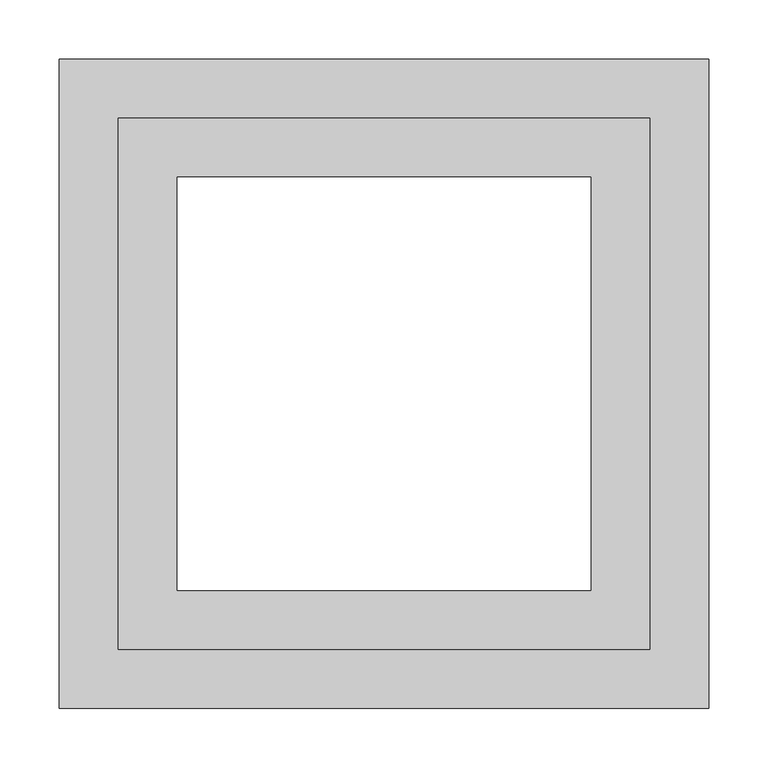
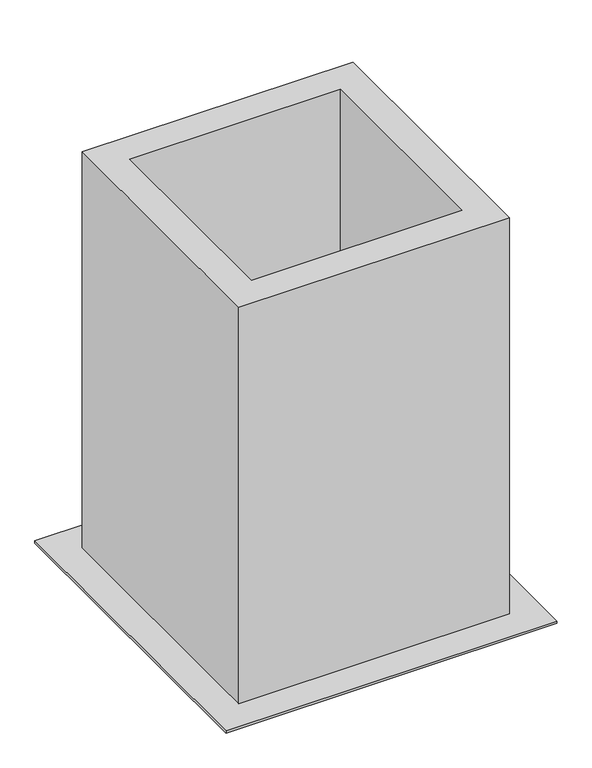
"""IFC4 building model written with IfcOpenShell, lengths in millimetres: proxy geometry."""

from ifc_helpers import new_model, si_unit, frame, origin, origin_with_axes, place, context, project, spatial, polyline, outline, extrude, source, transform, mapped, element, save


def mechanical_equipment_eeaa7bcd(model_context):
    return source(origin(), model_context, "Body", "SweptSolid", [
        extrude(outline(polyline([(225.0, -225.0), (-225.0, -225.0), (-225.0, 225.0), (225.0, 225.0), (225.0, -225.0)]), holes=[polyline([(175.0, -175.0), (175.0, 175.0), (-175.0, 175.0), (-175.0, -175.0), (175.0, -175.0)])]), frame((0.0, 0.0, 4.0), z_axis=(0.0, 0.0, 1.0), x_axis=(1.0, 0.0, 0.0)), (0.0, 0.0, 1.0), 696.0),
        extrude(outline(polyline([(275.0, -275.0), (-275.0, -275.0), (-275.0, 275.0), (275.0, 275.0), (275.0, -275.0)]), holes=[polyline([(175.0, -175.0), (175.0, 175.0), (-175.0, 175.0), (-175.0, -175.0), (175.0, -175.0)])]), origin_with_axes(), (0.0, 0.0, 1.0), 4.0),
    ])


if __name__ == "__main__":
    model = new_model("IFC4")
    model_context = context("Model", 3, world=origin())
    ifc_project = project(units=[si_unit("LENGTHUNIT", "METRE", prefix="MILLI")], contexts=[model_context])
    site = spatial("IfcSite", under=ifc_project)
    building = spatial("IfcBuilding", under=site)
    placement = place(None, origin())
    mechanical_equipment_shape = mechanical_equipment_eeaa7bcd(model_context)
    element("IfcBuildingElementProxy", 1, Name="Mechanical Equipment", at=placement, inside=building, context=model_context, shape_type="MappedRepresentation", body=[
        mapped(mechanical_equipment_shape, transform((0.0, 0.0, 0.0), x_axis=(1.0, 0.0, 0.0), y_axis=(0.0, 1.0, 0.0), z_axis=(0.0, 0.0, 1.0))),
    ])
    save(model, "model.ifc")
